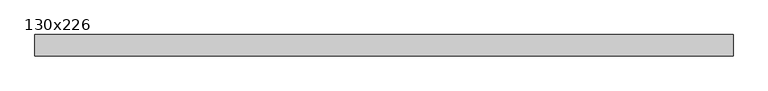
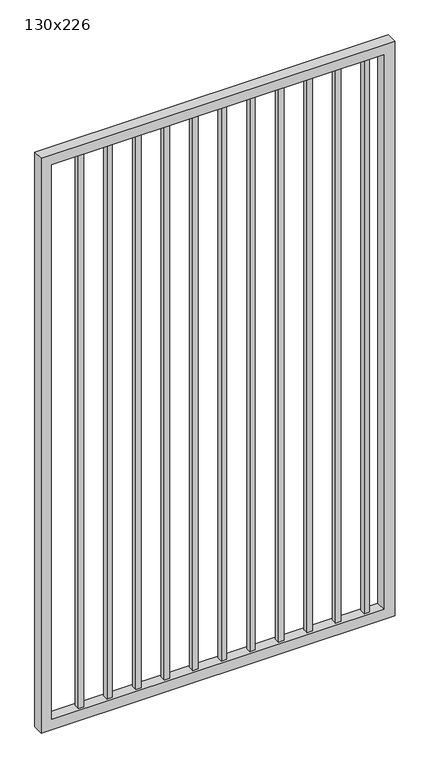
"""IFC4 building model written with IfcOpenShell, lengths in millimetres: proxy geometry, 130x226."""

import ifcopenshell
import ifcopenshell.guid

model = None  # the IFC model being written
_history = None  # IfcOwnerHistory: only IFC2X3 demands one
_inside = {}  # id of a spatial element -> (the spatial element, [elements in it])
_under = {}  # id of a project, library or spatial element -> (it, [spatial elements below it])
_declared = {}  # id of a project -> (the project, [libraries it declares])
_typed = {}  # id of a type object -> (the type object, [elements of that type])
_made_of = {}  # id of a material, layer set ... -> (it, [elements and type objects made of it])


def new_model(schema):
    """Start an empty IFC model of exactly this schema.

    Asked for "IFC4X3", IfcOpenShell would pick the latest addendum, in which some entities
    have other attributes; the version numbers below select the first issue.
    IFC2X3 requires an IfcOwnerHistory on every rooted entity: one is made here for all.
    """
    global model, _history
    if schema == "IFC4X3":
        model = ifcopenshell.file(schema_version=(4, 3, 0, 0))
    else:
        model = ifcopenshell.file(schema=schema)
    _inside.clear()
    _under.clear()
    _declared.clear()
    _typed.clear()
    _made_of.clear()
    _history = None
    if model.schema == "IFC2X3":
        org = make("IfcOrganization", Name="unknown")
        user = make(
            "IfcPersonAndOrganization",
            ThePerson=make("IfcPerson", FamilyName="unknown"),
            TheOrganization=org,
        )
        app = make(
            "IfcApplication",
            ApplicationDeveloper=org,
            Version="unknown",
            ApplicationFullName="unknown",
            ApplicationIdentifier="unknown",
        )
        _history = make(
            "IfcOwnerHistory",
            OwningUser=user,
            OwningApplication=app,
            ChangeAction="ADDED",
            CreationDate=0,
        )
    return model


def make(cls, **values):
    """One entity of the class cls with the attributes given. An attribute that is None is left unset."""
    return model.create_entity(
        cls, **{name: value for name, value in values.items() if value is not None}
    )


def rooted(cls, **values):
    """An entity with a GlobalId (a new one), such as an element, a storey or a relation."""
    return make(cls, GlobalId=ifcopenshell.guid.new(), OwnerHistory=_history, **values)


def si_unit(unit_type, name, prefix=None):
    """IfcSIUnit, for example si_unit("LENGTHUNIT", "METRE", prefix="MILLI")."""
    return make("IfcSIUnit", UnitType=unit_type, Prefix=prefix, Name=name)


def assignment(units):
    """IfcUnitAssignment: the units of a project."""
    return None if units is None else make("IfcUnitAssignment", Units=units)


def point(xyz):
    """IfcCartesianPoint."""
    return None if xyz is None else make("IfcCartesianPoint", Coordinates=xyz)


def direction(xyz):
    """IfcDirection."""
    return None if xyz is None else make("IfcDirection", DirectionRatios=xyz)


def frame(location, z_axis=None, x_axis=None):
    """IfcAxis2Placement3D, a coordinate frame: its origin and axes. An axis left out is left unset."""
    return make(
        "IfcAxis2Placement3D",
        Location=point(location),
        Axis=direction(z_axis),
        RefDirection=direction(x_axis),
    )


def origin():
    """The frame at (0, 0, 0) with its axes left unset."""
    return frame((0.0, 0.0, 0.0))


def place(relative_to, where):
    """IfcLocalPlacement: puts the frame where relative to a parent placement (None: the world)."""
    return make(
        "IfcLocalPlacement", PlacementRelTo=relative_to, RelativePlacement=where
    )


def context(
    kind, dimensions, precision=None, world=None, true_north=None, identifier=None
):
    """IfcGeometricRepresentationContext, for example the 3D "Model" context."""
    return make(
        "IfcGeometricRepresentationContext",
        ContextIdentifier=identifier,
        ContextType=kind,
        CoordinateSpaceDimension=dimensions,
        Precision=precision,
        WorldCoordinateSystem=world,
        TrueNorth=true_north,
    )


def project(units=None, contexts=None):
    """IfcProject with its units and contexts."""
    return rooted(
        "IfcProject",
        Name="project",
        RepresentationContexts=contexts,
        UnitsInContext=assignment(units),
    )


def spatial(cls, under=None, at=None, **own):
    """A site, building, storey or space (cls), placed at a placement, below another one or the project."""
    s = rooted(cls, ObjectPlacement=at, **own)
    if under is not None:
        _under.setdefault(under.id(), (under, []))[1].append(s)
    return s


def polyline(points):
    """IfcPolyline through the points."""
    return make("IfcPolyline", Points=[point(p) for p in points])


def outline(outer, holes=None, kind="AREA"):
    """IfcArbitraryClosedProfileDef: a profile drawn as a closed curve; with holes, ...WithVoids."""
    if holes is None:
        return make("IfcArbitraryClosedProfileDef", ProfileType=kind, OuterCurve=outer)
    return make(
        "IfcArbitraryProfileDefWithVoids",
        ProfileType=kind,
        OuterCurve=outer,
        InnerCurves=holes,
    )


def extrude(swept, where, along, depth):
    """IfcExtrudedAreaSolid: the profile swept, set in the frame where, extruded along a direction by depth."""
    return make(
        "IfcExtrudedAreaSolid",
        SweptArea=swept,
        Position=where,
        ExtrudedDirection=direction(along),
        Depth=depth,
    )


def shape(context_of_items, identifier, shape_type, items):
    """IfcShapeRepresentation: the items that make up one representation, for example the "Body"."""
    return make(
        "IfcShapeRepresentation",
        ContextOfItems=context_of_items,
        RepresentationIdentifier=identifier,
        RepresentationType=shape_type,
        Items=items,
    )


def source(mapping_origin, context_of_items, identifier, shape_type, items):
    """IfcRepresentationMap: a shape defined once, which mapped items show again and again."""
    return make(
        "IfcRepresentationMap",
        MappingOrigin=mapping_origin,
        MappedRepresentation=shape(context_of_items, identifier, shape_type, items),
    )


def transform(
    local_origin,
    x_axis=None,
    y_axis=None,
    z_axis=None,
    scale=None,
    scale2=None,
    scale3=None,
    uniform=True,
):
    """IfcCartesianTransformationOperator3D, or its non-uniform kind. x_axis, y_axis, z_axis: its Axis1, 2, 3."""
    if uniform:
        return make(
            "IfcCartesianTransformationOperator3D",
            Axis1=direction(x_axis),
            Axis2=direction(y_axis),
            LocalOrigin=point(local_origin),
            Scale=scale,
            Axis3=direction(z_axis),
        )
    return make(
        "IfcCartesianTransformationOperator3DnonUniform",
        Axis1=direction(x_axis),
        Axis2=direction(y_axis),
        LocalOrigin=point(local_origin),
        Scale=scale,
        Axis3=direction(z_axis),
        Scale2=scale2,
        Scale3=scale3,
    )


def mapped(mapping_source, mapping_target):
    """IfcMappedItem: shows the shape of a source again, moved by a transform."""
    return make(
        "IfcMappedItem", MappingSource=mapping_source, MappingTarget=mapping_target
    )


def made_of(thing, what):
    """Note that an element or type object is made of a material, layer set ...; save() writes the relation."""
    if what is not None:
        _made_of.setdefault(what.id(), (what, []))[1].append(thing)
    return thing


def element(
    cls,
    number,
    at=None,
    inside=None,
    cuts=None,
    type_object=None,
    material=None,
    context=None,
    identifier="Body",
    shape_type=None,
    held_by="IfcProductDefinitionShape",
    body=None,
    shapes=None,
    **own,
):
    """One element of the class cls, such as IfcWall. Its Tag is "e" and its number.

    at: its placement. inside: the storey or other place that contains it. cuts: it is an
    opening in that element (IfcRelVoidsElement). A single representation is given by context,
    identifier, shape_type and body (its items); several are given by shapes. held_by: the class
    of the entity that holds the representations. save() writes the other relations.
    """
    e = rooted(cls, Tag="e%d" % number, ObjectPlacement=at, **own)
    if body is not None:
        shapes = [shape(context, identifier, shape_type, body)]
    if shapes is not None:
        e.Representation = make(held_by, Representations=shapes)
    if inside is not None:
        _inside.setdefault(inside.id(), (inside, []))[1].append(e)
    if cuts is not None:
        rooted(
            "IfcRelVoidsElement", RelatingBuildingElement=cuts, RelatedOpeningElement=e
        )
    if type_object is not None:
        _typed.setdefault(type_object.id(), (type_object, []))[1].append(e)
    return made_of(e, material)


def aggregate(whole, parts):
    """IfcRelAggregates: a whole, such as a stair, and the parts it consists of."""
    return rooted("IfcRelAggregates", RelatingObject=whole, RelatedObjects=parts)


def save(model, path):
    """Write the relations noted so far, then the file.

    IfcRelAggregates (storeys below a building ...), IfcRelContainedInSpatialStructure (elements
    in a storey), IfcRelDefinesByType, IfcRelAssociatesMaterial and IfcRelDeclares: one each for
    every whole, place, type object, material and project.
    """
    for whole, parts in _under.values():
        aggregate(whole, parts)
    for where, things in _inside.values():
        rooted(
            "IfcRelContainedInSpatialStructure",
            RelatedElements=things,
            RelatingStructure=where,
        )
    for kind, things in _typed.values():
        rooted("IfcRelDefinesByType", RelatedObjects=things, RelatingType=kind)
    for what, things in _made_of.values():
        rooted("IfcRelAssociatesMaterial", RelatedObjects=things, RelatingMaterial=what)
    for by, libraries in _declared.values():
        rooted("IfcRelDeclares", RelatingContext=by, RelatedDefinitions=libraries)
    model.write(path)


def proxy_130x226_978b084b(model_context):
    return source(origin(), model_context, "Body", "SweptSolid", [
        extrude(outline(polyline([(1203.325, 9.525), (1203.325, -9.525), (1184.275, -9.525), (1184.275, 9.525), (1203.325, 9.525)])), frame((0.0, 0.0, 139.7), z_axis=(0.0, 0.0, 1.0), x_axis=(1.0, 0.0, 0.0)), (0.0, 0.0, 1.0), 2090.0),
        extrude(outline(polyline([(1101.725, 9.525), (1101.725, -9.525), (1082.675, -9.525), (1082.675, 9.525), (1101.725, 9.525)])), frame((0.0, 0.0, 139.7), z_axis=(0.0, 0.0, 1.0), x_axis=(1.0, 0.0, 0.0)), (0.0, 0.0, 1.0), 2090.0),
        extrude(outline(polyline([(1000.125, 9.525), (1000.125, -9.525), (981.075, -9.525), (981.075, 9.525), (1000.125, 9.525)])), frame((0.0, 0.0, 139.7), z_axis=(0.0, 0.0, 1.0), x_axis=(1.0, 0.0, 0.0)), (0.0, 0.0, 1.0), 2090.0),
        extrude(outline(polyline([(898.525, 9.525), (898.525, -9.525), (879.475, -9.525), (879.475, 9.525), (898.525, 9.525)])), frame((0.0, 0.0, 139.7), z_axis=(0.0, 0.0, 1.0), x_axis=(1.0, 0.0, 0.0)), (0.0, 0.0, 1.0), 2090.0),
        extrude(outline(polyline([(796.925, 9.525), (796.925, -9.525), (777.875, -9.525), (777.875, 9.525), (796.925, 9.525)])), frame((0.0, 0.0, 139.7), z_axis=(0.0, 0.0, 1.0), x_axis=(1.0, 0.0, 0.0)), (0.0, 0.0, 1.0), 2090.0),
        extrude(outline(polyline([(695.325, 9.525), (695.325, -9.525), (676.275, -9.525), (676.275, 9.525), (695.325, 9.525)])), frame((0.0, 0.0, 139.7), z_axis=(0.0, 0.0, 1.0), x_axis=(1.0, 0.0, 0.0)), (0.0, 0.0, 1.0), 2090.0),
        extrude(outline(polyline([(593.725, 9.525), (593.725, -9.525), (574.675, -9.525), (574.675, 9.525), (593.725, 9.525)])), frame((0.0, 0.0, 139.7), z_axis=(0.0, 0.0, 1.0), x_axis=(1.0, 0.0, 0.0)), (0.0, 0.0, 1.0), 2090.0),
        extrude(outline(polyline([(492.125, 9.525), (492.125, -9.525), (473.075, -9.525), (473.075, 9.525), (492.125, 9.525)])), frame((0.0, 0.0, 139.7), z_axis=(0.0, 0.0, 1.0), x_axis=(1.0, 0.0, 0.0)), (0.0, 0.0, 1.0), 2090.0),
        extrude(outline(polyline([(390.525, 9.525), (390.525, -9.525), (371.475, -9.525), (371.475, 9.525), (390.525, 9.525)])), frame((0.0, 0.0, 139.7), z_axis=(0.0, 0.0, 1.0), x_axis=(1.0, 0.0, 0.0)), (0.0, 0.0, 1.0), 2090.0),
        extrude(outline(polyline([(288.925, 9.525), (288.925, -9.525), (269.875, -9.525), (269.875, 9.525), (288.925, 9.525)])), frame((0.0, 0.0, 139.7), z_axis=(0.0, 0.0, 1.0), x_axis=(1.0, 0.0, 0.0)), (0.0, 0.0, 1.0), 2090.0),
        extrude(outline(polyline([(187.325, 9.525), (187.325, -9.525), (168.275, -9.525), (168.275, 9.525), (187.325, 9.525)])), frame((0.0, 0.0, 139.7), z_axis=(0.0, 0.0, 1.0), x_axis=(1.0, 0.0, 0.0)), (0.0, 0.0, 1.0), 2090.0),
        extrude(outline(polyline([(101.6, 1287.3), (2260.0, 1287.3), (2260.0, 30.0), (101.6, 30.0), (101.6, 1287.3)]), holes=[polyline([(2221.9, 1249.2), (139.7, 1249.2), (139.7, 68.1), (2221.9, 68.1), (2221.9, 1249.2)])]), frame((0.0, -19.05, 0.0), z_axis=(0.0, 1.0, 0.0), x_axis=(0.0, 0.0, 1.0)), (0.0, 0.0, 1.0), 38.1),
    ])


if __name__ == "__main__":
    model = new_model("IFC4")
    model_context = context("Model", 3, world=origin())
    ifc_project = project(units=[si_unit("LENGTHUNIT", "METRE", prefix="MILLI")], contexts=[model_context])
    site = spatial("IfcSite", under=ifc_project)
    building = spatial("IfcBuilding", under=site)
    placement = place(None, origin())
    proxy_130x226_shape = proxy_130x226_978b084b(model_context)
    element("IfcBuildingElementProxy", 1, Name="130x226", ObjectType="130x226", at=placement, inside=building, context=model_context, shape_type="MappedRepresentation", body=[
        mapped(proxy_130x226_shape, transform((0.0, 0.0, 0.0), x_axis=(1.0, 0.0, 0.0), y_axis=(0.0, 1.0, 0.0), z_axis=(0.0, 0.0, 1.0))),
    ])
    save(model, "model.ifc")
